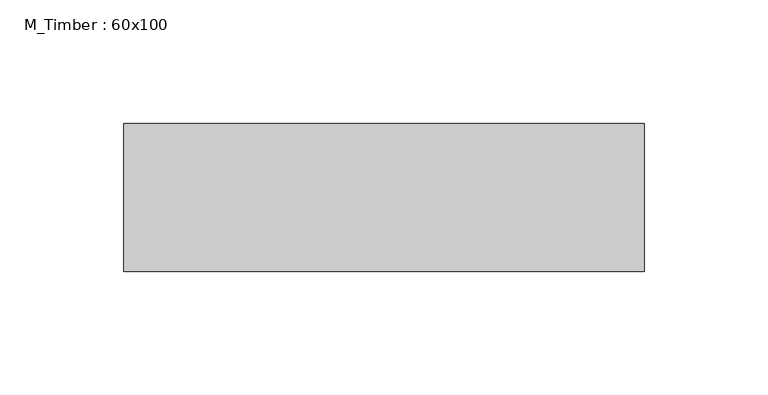
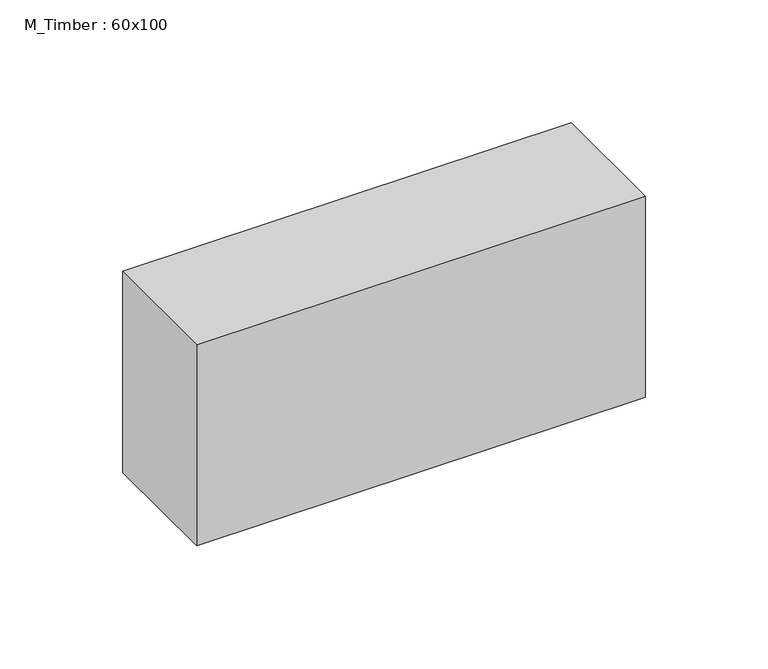
"""IFC4 building model written with IfcOpenShell, lengths in millimetres: beam geometry, M_Timber : 60x100."""

from ifc_helpers import new_model, si_unit, frame, origin, place, context, project, spatial, polyline, outline, extrude, source, transform, mapped, element, save


def m_timber_60x100_bcec4c12(model_context):
    return source(origin(), model_context, "Body", "SweptSolid", [
        extrude(outline(polyline([(193.7821741, 30.0), (193.7821741, -30.0), (-17.1080525, -30.0), (-17.1080525, 30.0), (193.7821741, 30.0)])), frame((0.0, 0.0, -50.0), z_axis=(0.0, 0.0, 1.0), x_axis=(1.0, 0.0, 0.0)), (0.0, 0.0, 1.0), 100.0),
    ])


if __name__ == "__main__":
    model = new_model("IFC4")
    model_context = context("Model", 3, world=origin())
    ifc_project = project(units=[si_unit("LENGTHUNIT", "METRE", prefix="MILLI")], contexts=[model_context])
    site = spatial("IfcSite", under=ifc_project)
    building = spatial("IfcBuilding", under=site)
    placement = place(None, origin())
    m_timber_60x100_shape = m_timber_60x100_bcec4c12(model_context)
    element("IfcBeam", 1, ObjectType="M_Timber : 60x100", at=placement, inside=building, context=model_context, shape_type="MappedRepresentation", body=[
        mapped(m_timber_60x100_shape, transform((0.0, 0.0, 0.0), x_axis=(1.0, 0.0, 0.0), y_axis=(0.0, 1.0, 0.0), z_axis=(0.0, 0.0, 1.0))),
    ])
    save(model, "model.ifc")
